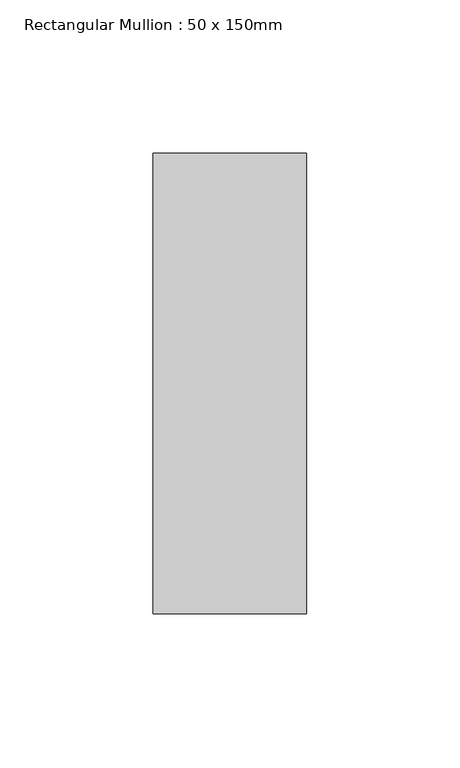
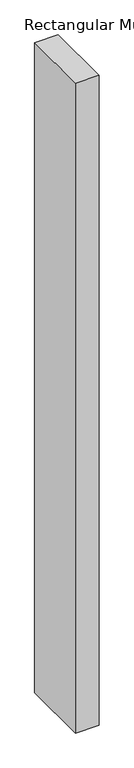
"""IFC4 building model written with IfcOpenShell, lengths in millimetres: member geometry, Rectangular Mullion : 50 x 150mm."""

import ifcopenshell
import ifcopenshell.guid

model = None  # the IFC model being written
_history = None  # IfcOwnerHistory: only IFC2X3 demands one
_inside = {}  # id of a spatial element -> (the spatial element, [elements in it])
_under = {}  # id of a project, library or spatial element -> (it, [spatial elements below it])
_declared = {}  # id of a project -> (the project, [libraries it declares])
_typed = {}  # id of a type object -> (the type object, [elements of that type])
_made_of = {}  # id of a material, layer set ... -> (it, [elements and type objects made of it])


def new_model(schema):
    """Start an empty IFC model of exactly this schema.

    Asked for "IFC4X3", IfcOpenShell would pick the latest addendum, in which some entities
    have other attributes; the version numbers below select the first issue.
    IFC2X3 requires an IfcOwnerHistory on every rooted entity: one is made here for all.
    """
    global model, _history
    if schema == "IFC4X3":
        model = ifcopenshell.file(schema_version=(4, 3, 0, 0))
    else:
        model = ifcopenshell.file(schema=schema)
    _inside.clear()
    _under.clear()
    _declared.clear()
    _typed.clear()
    _made_of.clear()
    _history = None
    if model.schema == "IFC2X3":
        org = make("IfcOrganization", Name="unknown")
        user = make(
            "IfcPersonAndOrganization",
            ThePerson=make("IfcPerson", FamilyName="unknown"),
            TheOrganization=org,
        )
        app = make(
            "IfcApplication",
            ApplicationDeveloper=org,
            Version="unknown",
            ApplicationFullName="unknown",
            ApplicationIdentifier="unknown",
        )
        _history = make(
            "IfcOwnerHistory",
            OwningUser=user,
            OwningApplication=app,
            ChangeAction="ADDED",
            CreationDate=0,
        )
    return model


def make(cls, **values):
    """One entity of the class cls with the attributes given. An attribute that is None is left unset."""
    return model.create_entity(
        cls, **{name: value for name, value in values.items() if value is not None}
    )


def rooted(cls, **values):
    """An entity with a GlobalId (a new one), such as an element, a storey or a relation."""
    return make(cls, GlobalId=ifcopenshell.guid.new(), OwnerHistory=_history, **values)


def si_unit(unit_type, name, prefix=None):
    """IfcSIUnit, for example si_unit("LENGTHUNIT", "METRE", prefix="MILLI")."""
    return make("IfcSIUnit", UnitType=unit_type, Prefix=prefix, Name=name)


def assignment(units):
    """IfcUnitAssignment: the units of a project."""
    return None if units is None else make("IfcUnitAssignment", Units=units)


def point(xyz):
    """IfcCartesianPoint."""
    return None if xyz is None else make("IfcCartesianPoint", Coordinates=xyz)


def direction(xyz):
    """IfcDirection."""
    return None if xyz is None else make("IfcDirection", DirectionRatios=xyz)


def frame(location, z_axis=None, x_axis=None):
    """IfcAxis2Placement3D, a coordinate frame: its origin and axes. An axis left out is left unset."""
    return make(
        "IfcAxis2Placement3D",
        Location=point(location),
        Axis=direction(z_axis),
        RefDirection=direction(x_axis),
    )


def origin():
    """The frame at (0, 0, 0) with its axes left unset."""
    return frame((0.0, 0.0, 0.0))


def place(relative_to, where):
    """IfcLocalPlacement: puts the frame where relative to a parent placement (None: the world)."""
    return make(
        "IfcLocalPlacement", PlacementRelTo=relative_to, RelativePlacement=where
    )


def context(
    kind, dimensions, precision=None, world=None, true_north=None, identifier=None
):
    """IfcGeometricRepresentationContext, for example the 3D "Model" context."""
    return make(
        "IfcGeometricRepresentationContext",
        ContextIdentifier=identifier,
        ContextType=kind,
        CoordinateSpaceDimension=dimensions,
        Precision=precision,
        WorldCoordinateSystem=world,
        TrueNorth=true_north,
    )


def project(units=None, contexts=None):
    """IfcProject with its units and contexts."""
    return rooted(
        "IfcProject",
        Name="project",
        RepresentationContexts=contexts,
        UnitsInContext=assignment(units),
    )


def spatial(cls, under=None, at=None, **own):
    """A site, building, storey or space (cls), placed at a placement, below another one or the project."""
    s = rooted(cls, ObjectPlacement=at, **own)
    if under is not None:
        _under.setdefault(under.id(), (under, []))[1].append(s)
    return s


def polyline(points):
    """IfcPolyline through the points."""
    return make("IfcPolyline", Points=[point(p) for p in points])


def outline(outer, holes=None, kind="AREA"):
    """IfcArbitraryClosedProfileDef: a profile drawn as a closed curve; with holes, ...WithVoids."""
    if holes is None:
        return make("IfcArbitraryClosedProfileDef", ProfileType=kind, OuterCurve=outer)
    return make(
        "IfcArbitraryProfileDefWithVoids",
        ProfileType=kind,
        OuterCurve=outer,
        InnerCurves=holes,
    )


def extrude(swept, where, along, depth):
    """IfcExtrudedAreaSolid: the profile swept, set in the frame where, extruded along a direction by depth."""
    return make(
        "IfcExtrudedAreaSolid",
        SweptArea=swept,
        Position=where,
        ExtrudedDirection=direction(along),
        Depth=depth,
    )


def shape(context_of_items, identifier, shape_type, items):
    """IfcShapeRepresentation: the items that make up one representation, for example the "Body"."""
    return make(
        "IfcShapeRepresentation",
        ContextOfItems=context_of_items,
        RepresentationIdentifier=identifier,
        RepresentationType=shape_type,
        Items=items,
    )


def source(mapping_origin, context_of_items, identifier, shape_type, items):
    """IfcRepresentationMap: a shape defined once, which mapped items show again and again."""
    return make(
        "IfcRepresentationMap",
        MappingOrigin=mapping_origin,
        MappedRepresentation=shape(context_of_items, identifier, shape_type, items),
    )


def transform(
    local_origin,
    x_axis=None,
    y_axis=None,
    z_axis=None,
    scale=None,
    scale2=None,
    scale3=None,
    uniform=True,
):
    """IfcCartesianTransformationOperator3D, or its non-uniform kind. x_axis, y_axis, z_axis: its Axis1, 2, 3."""
    if uniform:
        return make(
            "IfcCartesianTransformationOperator3D",
            Axis1=direction(x_axis),
            Axis2=direction(y_axis),
            LocalOrigin=point(local_origin),
            Scale=scale,
            Axis3=direction(z_axis),
        )
    return make(
        "IfcCartesianTransformationOperator3DnonUniform",
        Axis1=direction(x_axis),
        Axis2=direction(y_axis),
        LocalOrigin=point(local_origin),
        Scale=scale,
        Axis3=direction(z_axis),
        Scale2=scale2,
        Scale3=scale3,
    )


def mapped(mapping_source, mapping_target):
    """IfcMappedItem: shows the shape of a source again, moved by a transform."""
    return make(
        "IfcMappedItem", MappingSource=mapping_source, MappingTarget=mapping_target
    )


def made_of(thing, what):
    """Note that an element or type object is made of a material, layer set ...; save() writes the relation."""
    if what is not None:
        _made_of.setdefault(what.id(), (what, []))[1].append(thing)
    return thing


def element(
    cls,
    number,
    at=None,
    inside=None,
    cuts=None,
    type_object=None,
    material=None,
    context=None,
    identifier="Body",
    shape_type=None,
    held_by="IfcProductDefinitionShape",
    body=None,
    shapes=None,
    **own,
):
    """One element of the class cls, such as IfcWall. Its Tag is "e" and its number.

    at: its placement. inside: the storey or other place that contains it. cuts: it is an
    opening in that element (IfcRelVoidsElement). A single representation is given by context,
    identifier, shape_type and body (its items); several are given by shapes. held_by: the class
    of the entity that holds the representations. save() writes the other relations.
    """
    e = rooted(cls, Tag="e%d" % number, ObjectPlacement=at, **own)
    if body is not None:
        shapes = [shape(context, identifier, shape_type, body)]
    if shapes is not None:
        e.Representation = make(held_by, Representations=shapes)
    if inside is not None:
        _inside.setdefault(inside.id(), (inside, []))[1].append(e)
    if cuts is not None:
        rooted(
            "IfcRelVoidsElement", RelatingBuildingElement=cuts, RelatedOpeningElement=e
        )
    if type_object is not None:
        _typed.setdefault(type_object.id(), (type_object, []))[1].append(e)
    return made_of(e, material)


def aggregate(whole, parts):
    """IfcRelAggregates: a whole, such as a stair, and the parts it consists of."""
    return rooted("IfcRelAggregates", RelatingObject=whole, RelatedObjects=parts)


def save(model, path):
    """Write the relations noted so far, then the file.

    IfcRelAggregates (storeys below a building ...), IfcRelContainedInSpatialStructure (elements
    in a storey), IfcRelDefinesByType, IfcRelAssociatesMaterial and IfcRelDeclares: one each for
    every whole, place, type object, material and project.
    """
    for whole, parts in _under.values():
        aggregate(whole, parts)
    for where, things in _inside.values():
        rooted(
            "IfcRelContainedInSpatialStructure",
            RelatedElements=things,
            RelatingStructure=where,
        )
    for kind, things in _typed.values():
        rooted("IfcRelDefinesByType", RelatedObjects=things, RelatingType=kind)
    for what, things in _made_of.values():
        rooted("IfcRelAssociatesMaterial", RelatedObjects=things, RelatingMaterial=what)
    for by, libraries in _declared.values():
        rooted("IfcRelDeclares", RelatingContext=by, RelatedDefinitions=libraries)
    model.write(path)


def rectangular_mullion_50_x_150mm_c27fe26a(model_context):
    return source(origin(), model_context, "Body", "SweptSolid", [
        extrude(outline(polyline([(0.0, 75.0), (0.0, -75.0), (-50.0, -75.0), (-50.0, 75.0), (0.0, 75.0)])), frame((0.0, 0.0, -1457.2330358), z_axis=(0.0, 0.0, 1.0), x_axis=(1.0, 0.0, 0.0)), (0.0, 0.0, 1.0), 1457.2330358),
    ])


if __name__ == "__main__":
    model = new_model("IFC4")
    model_context = context("Model", 3, world=origin())
    ifc_project = project(units=[si_unit("LENGTHUNIT", "METRE", prefix="MILLI")], contexts=[model_context])
    site = spatial("IfcSite", under=ifc_project)
    building = spatial("IfcBuilding", under=site)
    placement = place(None, origin())
    rectangular_mullion_50_x_150mm_shape = rectangular_mullion_50_x_150mm_c27fe26a(model_context)
    element("IfcMember", 1, ObjectType="Rectangular Mullion : 50 x 150mm", at=placement, inside=building, context=model_context, shape_type="MappedRepresentation", body=[
        mapped(rectangular_mullion_50_x_150mm_shape, transform((0.0, 0.0, 0.0), x_axis=(1.0, 0.0, 0.0), y_axis=(0.0, 1.0, 0.0), z_axis=(0.0, 0.0, 1.0))),
    ])
    save(model, "model.ifc")
